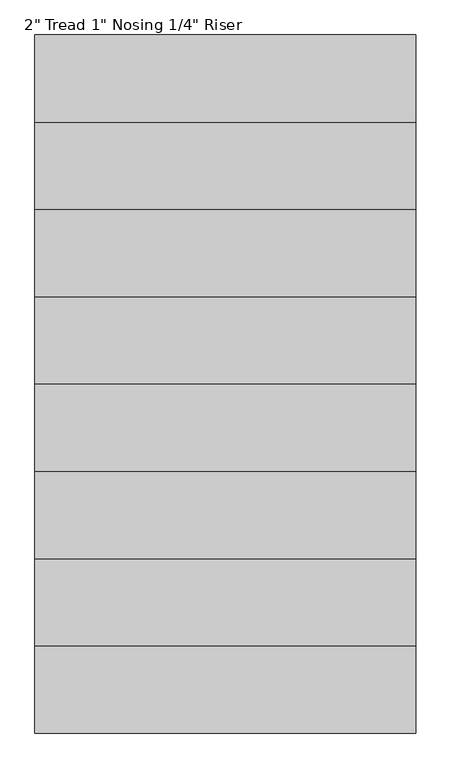
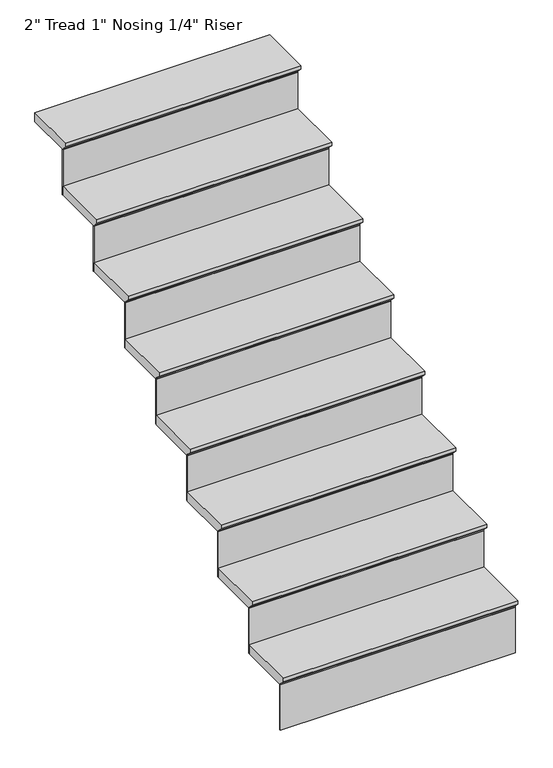
"""IFC4 building model written with IfcOpenShell, lengths in millimetres: stair flight geometry."""

from ifc_helpers import new_model, si_unit, frame, origin, place, context, project, spatial, polyline, outline, extrude, source, transform, mapped, element, save


def stair_flight_81dbeda5(model_context):
    return source(origin(), model_context, "Body", "SweptSolid", [
        extrude(outline(polyline([(147295.3023046, -489.8571429), (147600.1023046, -489.8571429), (147600.1023046, -540.6571429), (147320.7023046, -540.6571429), (147320.7023046, -534.3071429), (147295.3023046, -508.9071429), (147295.3023046, -489.8571429)])), frame((-228615.6765136, 0.0, 0.0), z_axis=(1.0, 0.0, 0.0), x_axis=(0.0, 1.0, 0.0)), (0.0, 0.0, 1.0), 1219.2),
        extrude(outline(polyline([(-227396.4765136, 147327.0523046), (-227396.4765136, 147320.7023046), (-228615.6765136, 147320.7023046), (-228615.6765136, 147327.0523046), (-227396.4765136, 147327.0523046)])), frame((0.0, 0.0, -791.0285714), z_axis=(0.0, 0.0, 1.0), x_axis=(1.0, 0.0, 0.0)), (0.0, 0.0, 1.0), 250.3714286),
        extrude(outline(polyline([(-227396.4765136, 147606.4523046), (-227396.4765136, 147600.1023046), (-228615.6765136, 147600.1023046), (-228615.6765136, 147606.4523046), (-227396.4765136, 147606.4523046)])), frame((0.0, 0.0, -540.6571429), z_axis=(0.0, 0.0, 1.0), x_axis=(1.0, 0.0, 0.0)), (0.0, 0.0, 1.0), 250.3714286),
        extrude(outline(polyline([(147574.7023046, -239.4857143), (147879.5023046, -239.4857143), (147879.5023046, -290.2857143), (147600.1023046, -290.2857143), (147600.1023046, -283.9357143), (147574.7023046, -258.5357143), (147574.7023046, -239.4857143)])), frame((-228615.6765136, 0.0, 0.0), z_axis=(1.0, 0.0, 0.0), x_axis=(0.0, 1.0, 0.0)), (0.0, 0.0, 1.0), 1219.2),
        extrude(outline(polyline([(-227396.4765136, 147885.8523046), (-227396.4765136, 147879.5023046), (-228615.6765136, 147879.5023046), (-228615.6765136, 147885.8523046), (-227396.4765136, 147885.8523046)])), frame((0.0, 0.0, -290.2857143), z_axis=(0.0, 0.0, 1.0), x_axis=(1.0, 0.0, 0.0)), (0.0, 0.0, 1.0), 250.3714286),
        extrude(outline(polyline([(147854.1023046, 10.8857143), (148158.9023046, 10.8857143), (148158.9023046, -39.9142857), (147879.5023046, -39.9142857), (147879.5023046, -33.5642857), (147854.1023046, -8.1642857), (147854.1023046, 10.8857143)])), frame((-228615.6765136, 0.0, 0.0), z_axis=(1.0, 0.0, 0.0), x_axis=(0.0, 1.0, 0.0)), (0.0, 0.0, 1.0), 1219.2),
        extrude(outline(polyline([(-227396.4765136, 148165.2523046), (-227396.4765136, 148158.9023046), (-228615.6765136, 148158.9023046), (-228615.6765136, 148165.2523046), (-227396.4765136, 148165.2523046)])), frame((0.0, 0.0, -39.9142857), z_axis=(0.0, 0.0, 1.0), x_axis=(1.0, 0.0, 0.0)), (0.0, 0.0, 1.0), 250.3714286),
        extrude(outline(polyline([(148133.5023046, 261.2571429), (148438.3023046, 261.2571429), (148438.3023046, 210.4571429), (148158.9023046, 210.4571429), (148158.9023046, 216.8071429), (148133.5023046, 242.2071429), (148133.5023046, 261.2571429)])), frame((-228615.6765136, 0.0, 0.0), z_axis=(1.0, 0.0, 0.0), x_axis=(0.0, 1.0, 0.0)), (0.0, 0.0, 1.0), 1219.2),
        extrude(outline(polyline([(-227396.4765136, 148444.6523046), (-227396.4765136, 148438.3023046), (-228615.6765136, 148438.3023046), (-228615.6765136, 148444.6523046), (-227396.4765136, 148444.6523046)])), frame((0.0, 0.0, 210.4571429), z_axis=(0.0, 0.0, 1.0), x_axis=(1.0, 0.0, 0.0)), (0.0, 0.0, 1.0), 250.3714286),
        extrude(outline(polyline([(148412.9023046, 511.6285714), (148717.7023046, 511.6285714), (148717.7023046, 460.8285714), (148438.3023046, 460.8285714), (148438.3023046, 467.1785714), (148412.9023046, 492.5785714), (148412.9023046, 511.6285714)])), frame((-228615.6765136, 0.0, 0.0), z_axis=(1.0, 0.0, 0.0), x_axis=(0.0, 1.0, 0.0)), (0.0, 0.0, 1.0), 1219.2),
        extrude(outline(polyline([(-227396.4765136, 148724.0523046), (-227396.4765136, 148717.7023046), (-228615.6765136, 148717.7023046), (-228615.6765136, 148724.0523046), (-227396.4765136, 148724.0523046)])), frame((0.0, 0.0, 460.8285714), z_axis=(0.0, 0.0, 1.0), x_axis=(1.0, 0.0, 0.0)), (0.0, 0.0, 1.0), 250.3714286),
        extrude(outline(polyline([(148692.3023046, 762.0), (148997.1023046, 762.0), (148997.1023046, 711.2), (148717.7023046, 711.2), (148717.7023046, 717.55), (148692.3023046, 742.95), (148692.3023046, 762.0)])), frame((-228615.6765136, 0.0, 0.0), z_axis=(1.0, 0.0, 0.0), x_axis=(0.0, 1.0, 0.0)), (0.0, 0.0, 1.0), 1219.2),
        extrude(outline(polyline([(-227396.4765136, 149003.4523046), (-227396.4765136, 148997.1023046), (-228615.6765136, 148997.1023046), (-228615.6765136, 149003.4523046), (-227396.4765136, 149003.4523046)])), frame((0.0, 0.0, 711.2), z_axis=(0.0, 0.0, 1.0), x_axis=(1.0, 0.0, 0.0)), (0.0, 0.0, 1.0), 250.3714286),
        extrude(outline(polyline([(148971.7023046, 1012.3714286), (149276.5023046, 1012.3714286), (149276.5023046, 961.5714286), (148997.1023046, 961.5714286), (148997.1023046, 967.9214286), (148971.7023046, 993.3214286), (148971.7023046, 1012.3714286)])), frame((-228615.6765136, 0.0, 0.0), z_axis=(1.0, 0.0, 0.0), x_axis=(0.0, 1.0, 0.0)), (0.0, 0.0, 1.0), 1219.2),
        extrude(outline(polyline([(-227396.4765136, 149282.8523046), (-227396.4765136, 149276.5023046), (-228615.6765136, 149276.5023046), (-228615.6765136, 149282.8523046), (-227396.4765136, 149282.8523046)])), frame((0.0, 0.0, 961.5714286), z_axis=(0.0, 0.0, 1.0), x_axis=(1.0, 0.0, 0.0)), (0.0, 0.0, 1.0), 250.3714286),
        extrude(outline(polyline([(149251.1023046, 1262.7428571), (149530.5023046, 1262.7428571), (149530.5023046, 1211.9428571), (149276.5023046, 1211.9428571), (149276.5023046, 1218.2928571), (149251.1023046, 1243.6928571), (149251.1023046, 1262.7428571)])), frame((-228615.6765136, 0.0, 0.0), z_axis=(1.0, 0.0, 0.0), x_axis=(0.0, 1.0, 0.0)), (0.0, 0.0, 1.0), 1219.2),
    ])


if __name__ == "__main__":
    model = new_model("IFC4")
    model_context = context("Model", 3, world=origin())
    ifc_project = project(units=[si_unit("LENGTHUNIT", "METRE", prefix="MILLI")], contexts=[model_context])
    site = spatial("IfcSite", under=ifc_project)
    building = spatial("IfcBuilding", under=site)
    placement = place(None, origin())
    stair_flight_shape = stair_flight_81dbeda5(model_context)
    element("IfcStairFlight", 1, ObjectType="2\" Tread 1\" Nosing 1/4\" Riser", at=placement, inside=building, context=model_context, shape_type="MappedRepresentation", body=[
        mapped(stair_flight_shape, transform((0.0, 0.0, 0.0), x_axis=(1.0, 0.0, 0.0), y_axis=(0.0, 1.0, 0.0), z_axis=(0.0, 0.0, 1.0))),
    ])
    save(model, "model.ifc")
